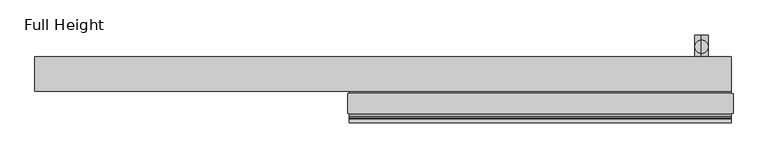
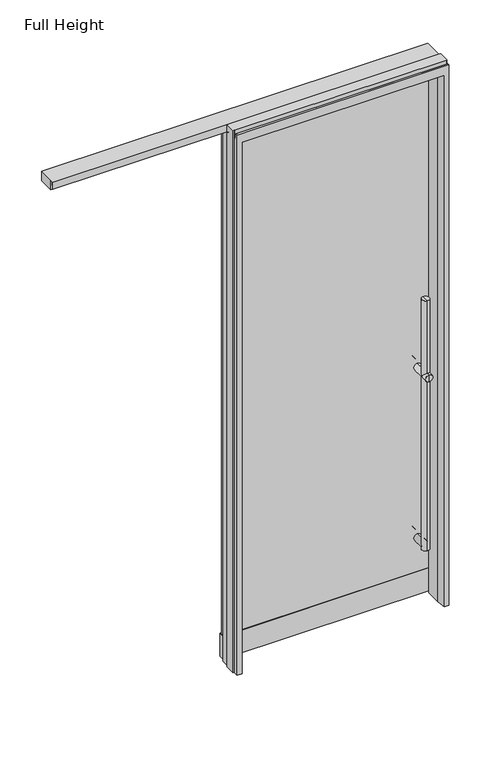
"""IFC4 building model written with IfcOpenShell, lengths in millimetres: plate geometry, Full Height."""

from ifc_helpers import new_model, si_unit, frame, origin, place, context, project, spatial, polyline, circle_curve, ellipse_curve, outline, extrude, source, transform, mapped, element, save
from ifc_brep_helpers import plane_surface, cylinder_surface, revolved_surface, advanced_brep


def full_height_f3c96637(model_context):
    return source(origin(), model_context, "Body", "SolidModel", [
        advanced_brep(
        [(424.4058217, 132.3389, 7.366), (424.4058217, 149.8389, 7.366), (424.4058217, 167.3389, 7.366), (424.4058217, 167.3389, 1132.8787), (441.9058217, 149.8389, 1150.3787), (424.4058217, 132.3389, 1132.8787), (424.4058217, 132.3389, 312.2035), (441.9058217, 149.8389, 294.7035), (424.4058217, 132.3389, 277.2035), (424.4058217, 132.3389, 1531.366), (424.4058217, 132.3389, 1167.8787), (424.4058217, 167.3389, 1167.8787), (424.4058217, 167.3389, 1531.366), (424.4058217, 149.8389, 1531.366), (424.4058217, 84.7514, 312.2035), (424.4058217, 84.7514, 294.7035), (424.4058217, 84.7514, 277.2035), (406.9058217, 149.8389, 294.7035), (406.9058217, 149.8389, 1150.3787), (424.4058217, 180.7514, 1132.8787), (424.4058217, 180.7514, 1150.3787), (424.4058217, 180.7514, 1167.8787), (424.4058217, 84.7514, 1132.8787), (424.4058217, 84.7514, 1167.8787), (424.4058217, 84.7514, 1150.3787)],
        [
            (0, 1),
            (1, 2),
            (2, 0, circle_curve(frame((424.4058217, 149.8389, 7.366), z_axis=(0.0, 0.0, -1.0), x_axis=(0.0, 1.0, 0.0)), 17.5)),
            (0, 2, circle_curve(frame((424.4058217, 149.8389, 7.366), z_axis=(0.0, 0.0, -1.0), x_axis=(0.0, 1.0, 0.0)), 17.5)),
            (2, 3),
            (3, 4, ellipse_curve(frame((424.4058217, 149.8389, 1150.3787), z_axis=(0.0, -0.7071067811865475, -0.7071067811865475), x_axis=(0.0, -0.7071067811865474, 0.7071067811865476)), 24.7487373, 17.5)),
            (4, 5, ellipse_curve(frame((424.4058217, 149.8389, 1150.3787), z_axis=(0.0, 0.7071067811865475, -0.7071067811865475), x_axis=(0.0, 0.7071067811865474, 0.7071067811865476)), 24.7487373, 17.5)),
            (5, 6),
            (6, 7, ellipse_curve(frame((424.4058217, 149.8389, 294.7035), z_axis=(0.0, 0.7071067811865485, 0.7071067811865466), x_axis=(0.0, -0.7071067811865466, 0.7071067811865485)), 24.7487373, 17.5)),
            (7, 8, ellipse_curve(frame((424.4058217, 149.8389, 294.7035), z_axis=(0.0, 0.7071067811865466, -0.7071067811865485), x_axis=(0.0, 0.7071067811865485, 0.7071067811865466)), 24.7487373, 17.5)),
            (8, 0),
            (9, 10),
            (10, 4, ellipse_curve(frame((424.4058217, 149.8389, 1150.3787), z_axis=(0.0, 0.7071067811865475, 0.7071067811865475), x_axis=(0.0, -0.7071067811865474, 0.7071067811865476)), 24.7487373, 17.5)),
            (4, 11, ellipse_curve(frame((424.4058217, 149.8389, 1150.3787), z_axis=(0.0, -0.7071067811865475, 0.7071067811865475), x_axis=(0.0, 0.7071067811865474, 0.7071067811865476)), 24.7487373, 17.5)),
            (11, 12),
            (12, 9, circle_curve(frame((424.4058217, 149.8389, 1531.366), z_axis=(0.0, 0.0, -1.0), x_axis=(0.0, 1.0, 0.0)), 17.5)),
            (12, 13),
            (13, 9),
            (14, 15),
            (15, 16),
            (16, 14, circle_curve(frame((424.4058217, 84.7514, 294.7035), z_axis=(0.0, -1.0, 0.0), x_axis=(0.0, 0.0, -1.0)), 17.5)),
            (16, 8),
            (6, 14),
            (8, 17, ellipse_curve(frame((424.4058217, 149.8389, 294.7035), z_axis=(0.0, 0.7071067811865466, -0.7071067811865485), x_axis=(0.0, 0.7071067811865485, 0.7071067811865466)), 24.7487373, 17.5)),
            (17, 6, ellipse_curve(frame((424.4058217, 149.8389, 294.7035), z_axis=(0.0, 0.7071067811865485, 0.7071067811865466), x_axis=(0.0, -0.7071067811865466, 0.7071067811865485)), 24.7487373, 17.5)),
            (5, 18, ellipse_curve(frame((424.4058217, 149.8389, 1150.3787), z_axis=(0.0, 0.7071067811865475, -0.7071067811865475), x_axis=(0.0, 0.7071067811865474, 0.7071067811865476)), 24.7487373, 17.5)),
            (18, 3, ellipse_curve(frame((424.4058217, 149.8389, 1150.3787), z_axis=(0.0, -0.7071067811865475, -0.7071067811865475), x_axis=(0.0, -0.7071067811865474, 0.7071067811865476)), 24.7487373, 17.5)),
            (11, 18, ellipse_curve(frame((424.4058217, 149.8389, 1150.3787), z_axis=(0.0, -0.7071067811865475, 0.7071067811865475), x_axis=(0.0, 0.7071067811865474, 0.7071067811865476)), 24.7487373, 17.5)),
            (18, 10, ellipse_curve(frame((424.4058217, 149.8389, 1150.3787), z_axis=(0.0, 0.7071067811865475, 0.7071067811865475), x_axis=(0.0, -0.7071067811865474, 0.7071067811865476)), 24.7487373, 17.5)),
            (9, 12, circle_curve(frame((424.4058217, 149.8389, 1531.366), z_axis=(0.0, 0.0, -1.0), x_axis=(0.0, 1.0, 0.0)), 17.5)),
            (14, 16, circle_curve(frame((424.4058217, 84.7514, 294.7035), z_axis=(0.0, -1.0, 0.0), x_axis=(0.0, 0.0, -1.0)), 17.5)),
            (19, 20),
            (20, 21),
            (21, 19, circle_curve(frame((424.4058217, 180.7514, 1150.3787), z_axis=(0.0, 1.0, 0.0), x_axis=(0.0, 0.0, 1.0)), 17.5)),
            (19, 21, circle_curve(frame((424.4058217, 180.7514, 1150.3787), z_axis=(0.0, 1.0, 0.0), x_axis=(0.0, 0.0, 1.0)), 17.5)),
            (21, 11),
            (3, 19),
            (22, 5),
            (10, 23),
            (23, 22, circle_curve(frame((424.4058217, 84.7514, 1150.3787), z_axis=(0.0, 1.0, 0.0), x_axis=(0.0, 0.0, 1.0)), 17.5)),
            (22, 23, circle_curve(frame((424.4058217, 84.7514, 1150.3787), z_axis=(0.0, 1.0, 0.0), x_axis=(0.0, 0.0, 1.0)), 17.5)),
            (23, 24),
            (24, 22),
        ],
        [
            plane_surface(frame((424.4058217, 149.8389, 7.366), z_axis=(0.0, 0.0, -1.0), x_axis=(0.0, 1.0, 0.0))),
            cylinder_surface(frame((424.4058217, 149.8389, 0.0), z_axis=(0.0, 0.0, 1.0), x_axis=(0.0, 1.0, 0.0)), 17.5),
            plane_surface(frame((424.4058217, 149.8389, 1531.366), z_axis=(0.0, 0.0, 1.0), x_axis=(0.0, 1.0, 0.0))),
            plane_surface(frame((424.4058217, 84.7514, 294.7035), z_axis=(0.0, -1.0, 0.0), x_axis=(0.0, 0.0, -1.0))),
            cylinder_surface(frame((424.4058217, 84.7514, 294.7035), z_axis=(0.0, 1.0, 0.0), x_axis=(0.0, 0.0, -1.0)), 17.5),
            plane_surface(frame((424.4058217, 180.7514, 1150.3787), z_axis=(0.0, 1.0, 0.0), x_axis=(0.0, 0.0, 1.0))),
            cylinder_surface(frame((424.4058217, 84.7514, 1150.3787), z_axis=(0.0, -1.0, 0.0), x_axis=(0.0, 0.0, 1.0)), 17.5),
            plane_surface(frame((424.4058217, 84.7514, 1150.3787), z_axis=(0.0, -1.0, 0.0), x_axis=(0.0, 0.0, 1.0))),
        ],
        [
            (0, [[1, 2, 3]]),
            (0, [[-1, 4, -2]]),
            (1, [[5, 6, 7, 8, 9, 10, 11, -3]]),
            (1, [[12, 13, 14, 15, 16]]),
            (2, [[17, 18, -16]]),
            (3, [[19, 20, 21]]),
            (4, [[22, -10, -9, 23, -21]]),
            (1, [[-11, 24, 25, -8, 26, 27, -5, -4]]),
            (1, [[-15, 28, 29, -12, 30]]),
            (2, [[-18, -17, -30]]),
            (3, [[-19, 31, -20]]),
            (4, [[-23, -25, -24, -22, -31]]),
            (5, [[32, 33, 34]]),
            (5, [[-32, 35, -33]]),
            (6, [[36, -14, -6, 37, -34]]),
            (6, [[38, -7, -13, 39, 40]]),
            (6, [[-37, -27, -28, -36, -35]]),
            (6, [[-39, -29, -26, -38, 41]]),
            (7, [[42, 43, -40]]),
            (7, [[-43, -42, -41]]),
        ],
    ),
        advanced_brep(
        [(424.4058217, 72.0514, 277.2035), (424.4058217, 24.4639, 277.2035), (406.9058217, 6.9639, 294.7035), (424.4058217, 24.4639, 312.2035), (424.4058217, 72.0514, 312.2035), (424.4058217, 72.0514, 294.7035), (441.9058217, 6.9639, 294.7035), (424.4058217, 24.4639, 1132.8787), (441.9058217, 6.9639, 1150.3787), (424.4058217, -10.5361, 1132.8787), (424.4058217, -10.5361, 277.2035), (424.4058217, -10.5361, 1531.366), (424.4058217, -10.5361, 1167.8787), (424.4058217, 24.4639, 1167.8787), (424.4058217, 24.4639, 1531.366), (406.9058217, 6.9639, 1150.3787), (424.4058217, 6.9639, 277.2035), (424.4058217, 6.9639, 1531.366), (424.4058217, -23.9486, 1132.8787), (424.4058217, -23.9486, 1167.8787), (424.4058217, 72.0514, 1167.8787), (424.4058217, 72.0514, 1132.8787), (424.4058217, -23.9486, 1150.3787), (424.4058217, 72.0514, 1150.3787)],
        [
            (0, 1),
            (1, 2, ellipse_curve(frame((424.4058217, 6.9639, 294.7035), z_axis=(0.0, 0.7071067811865485, 0.7071067811865466), x_axis=(0.0, 0.7071067811865466, -0.7071067811865485)), 24.7487373, 17.5)),
            (2, 3, ellipse_curve(frame((424.4058217, 6.9639, 294.7035), z_axis=(0.0, 0.7071067811865466, -0.7071067811865485), x_axis=(0.0, 0.7071067811865485, 0.7071067811865466)), 24.7487373, 17.5)),
            (3, 4),
            (4, 0, circle_curve(frame((424.4058217, 72.0514, 294.7035), z_axis=(0.0, -1.0, 0.0), x_axis=(0.0, 0.0, -1.0)), 17.5)),
            (0, 5),
            (5, 4),
            (4, 0, circle_curve(frame((424.4058217, 72.0514, 294.7035), z_axis=(0.0, 1.0, 0.0), x_axis=(0.0, 0.0, -1.0)), 17.5)),
            (3, 6, ellipse_curve(frame((424.4058217, 6.9639, 294.7035), z_axis=(0.0, 0.7071067811865466, -0.7071067811865485), x_axis=(0.0, 0.7071067811865485, 0.7071067811865466)), 24.7487373, 17.5)),
            (6, 1, ellipse_curve(frame((424.4058217, 6.9639, 294.7035), z_axis=(0.0, 0.7071067811865485, 0.7071067811865466), x_axis=(0.0, 0.7071067811865466, -0.7071067811865485)), 24.7487373, 17.5)),
            (3, 7),
            (7, 8, ellipse_curve(frame((424.4058217, 6.9639, 1150.3787), z_axis=(0.0, -0.7071067811865475, -0.7071067811865475), x_axis=(0.0, 0.7071067811865474, -0.7071067811865476)), 24.7487373, 17.5)),
            (8, 9, ellipse_curve(frame((424.4058217, 6.9639, 1150.3787), z_axis=(0.0, 0.7071067811865475, -0.7071067811865475), x_axis=(0.0, -0.7071067811865474, -0.7071067811865476)), 24.7487373, 17.5)),
            (9, 10),
            (10, 1, circle_curve(frame((424.4058217, 6.9639, 277.2035), z_axis=(0.0, 0.0, 1.0), x_axis=(0.0, -1.0, 0.0)), 17.5)),
            (11, 12),
            (12, 8, ellipse_curve(frame((424.4058217, 6.9639, 1150.3787), z_axis=(0.0, 0.7071067811865475, 0.7071067811865475), x_axis=(0.0, 0.7071067811865474, -0.7071067811865476)), 24.7487373, 17.5)),
            (8, 13, ellipse_curve(frame((424.4058217, 6.9639, 1150.3787), z_axis=(0.0, -0.7071067811865475, 0.7071067811865475), x_axis=(0.0, -0.7071067811865474, -0.7071067811865476)), 24.7487373, 17.5)),
            (13, 14),
            (14, 11, circle_curve(frame((424.4058217, 6.9639, 1531.366), z_axis=(0.0, 0.0, -1.0), x_axis=(0.0, -1.0, 0.0)), 17.5)),
            (9, 15, ellipse_curve(frame((424.4058217, 6.9639, 1150.3787), z_axis=(0.0, 0.7071067811865475, -0.7071067811865475), x_axis=(0.0, -0.7071067811865474, -0.7071067811865476)), 24.7487373, 17.5)),
            (15, 7, ellipse_curve(frame((424.4058217, 6.9639, 1150.3787), z_axis=(0.0, -0.7071067811865475, -0.7071067811865475), x_axis=(0.0, 0.7071067811865474, -0.7071067811865476)), 24.7487373, 17.5)),
            (1, 10, circle_curve(frame((424.4058217, 6.9639, 277.2035), z_axis=(0.0, 0.0, 1.0), x_axis=(0.0, -1.0, 0.0)), 17.5)),
            (13, 15, ellipse_curve(frame((424.4058217, 6.9639, 1150.3787), z_axis=(0.0, -0.7071067811865475, 0.7071067811865475), x_axis=(0.0, -0.7071067811865474, -0.7071067811865476)), 24.7487373, 17.5)),
            (15, 12, ellipse_curve(frame((424.4058217, 6.9639, 1150.3787), z_axis=(0.0, 0.7071067811865475, 0.7071067811865475), x_axis=(0.0, 0.7071067811865474, -0.7071067811865476)), 24.7487373, 17.5)),
            (11, 14, circle_curve(frame((424.4058217, 6.9639, 1531.366), z_axis=(0.0, 0.0, -1.0), x_axis=(0.0, -1.0, 0.0)), 17.5)),
            (10, 16),
            (16, 1),
            (14, 17),
            (17, 11),
            (18, 9),
            (12, 19),
            (19, 18, circle_curve(frame((424.4058217, -23.9486, 1150.3787), z_axis=(0.0, 1.0, 0.0), x_axis=(0.0, 0.0, 1.0)), 17.5)),
            (20, 13),
            (7, 21),
            (21, 20, circle_curve(frame((424.4058217, 72.0514, 1150.3787), z_axis=(0.0, -1.0, 0.0), x_axis=(0.0, 0.0, 1.0)), 17.5)),
            (18, 19, circle_curve(frame((424.4058217, -23.9486, 1150.3787), z_axis=(0.0, 1.0, 0.0), x_axis=(0.0, 0.0, 1.0)), 17.5)),
            (20, 21, circle_curve(frame((424.4058217, 72.0514, 1150.3787), z_axis=(0.0, -1.0, 0.0), x_axis=(0.0, 0.0, 1.0)), 17.5)),
            (19, 22),
            (22, 18),
            (21, 23),
            (23, 20),
        ],
        [
            cylinder_surface(frame((424.4058217, 84.7514, 294.7035), z_axis=(0.0, 1.0, 0.0), x_axis=(0.0, 0.0, -1.0)), 17.5),
            plane_surface(frame((424.4058217, 72.0514, 294.7035), z_axis=(0.0, 1.0, 0.0), x_axis=(0.0, 0.0, -1.0))),
            cylinder_surface(frame((424.4058217, 6.9639, 0.0), z_axis=(0.0, 0.0, -1.0), x_axis=(0.0, -1.0, 0.0)), 17.5),
            plane_surface(frame((424.4058217, 6.9639, 277.2035), z_axis=(0.0, 0.0, -1.0), x_axis=(0.0, -1.0, 0.0))),
            plane_surface(frame((424.4058217, 6.9639, 1531.366), z_axis=(0.0, 0.0, 1.0), x_axis=(0.0, -1.0, 0.0))),
            cylinder_surface(frame((424.4058217, 84.7514, 1150.3787), z_axis=(0.0, -1.0, 0.0), x_axis=(0.0, 0.0, 1.0)), 17.5),
            plane_surface(frame((424.4058217, -23.9486, 1150.3787), z_axis=(0.0, -1.0, 0.0), x_axis=(0.0, 0.0, 1.0))),
            plane_surface(frame((424.4058217, 72.0514, 1150.3787), z_axis=(0.0, 1.0, 0.0), x_axis=(0.0, 0.0, 1.0))),
        ],
        [
            (0, [[1, 2, 3, 4, 5]]),
            (1, [[6, 7, 8]]),
            (0, [[-4, 9, 10, -1, -8]]),
            (1, [[-7, -6, -5]]),
            (2, [[-10, -9, 11, 12, 13, 14, 15]]),
            (2, [[16, 17, 18, 19, 20]]),
            (2, [[-14, 21, 22, -11, -3, -2, 23]]),
            (2, [[-19, 24, 25, -16, 26]]),
            (3, [[27, 28, -15]]),
            (3, [[-28, -27, -23]]),
            (4, [[29, 30, -20]]),
            (4, [[-30, -29, -26]]),
            (5, [[31, -13, -17, 32, 33]]),
            (5, [[34, -18, -12, 35, 36]]),
            (5, [[-32, -25, -21, -31, 37]]),
            (5, [[-35, -22, -24, -34, 38]]),
            (6, [[39, 40, -33]]),
            (6, [[-40, -39, -37]]),
            (7, [[41, 42, -36]]),
            (7, [[-42, -41, -38]]),
        ],
    ),
        extrude(outline(polyline([(498.5738217, 93.6414), (500.6058217, 93.6414), (500.6058217, 70.0194), (498.5738217, 70.0194), (498.5738217, 93.6414)])), frame((0.0, 0.0, 7.9375), z_axis=(0.0, 0.0, 1.0), x_axis=(1.0, 0.0, 0.0)), (0.0, 0.0, 1.0), 115.062),
        extrude(outline(polyline([(-498.5738217, 93.6414), (-498.5738217, 70.0194), (-500.6058217, 70.0194), (-500.6058217, 93.6414), (-498.5738217, 93.6414)])), frame((0.0, 0.0, 7.9375), z_axis=(0.0, 0.0, 1.0), x_axis=(1.0, 0.0, 0.0)), (0.0, 0.0, 1.0), 115.062),
        extrude(outline(polyline([(498.5738217, 70.0194), (-498.5738217, 70.0194), (-498.5738217, 93.6414), (498.5738217, 93.6414), (498.5738217, 70.0194)])), frame((0.0, 0.0, 7.9375), z_axis=(0.0, 0.0, 1.0), x_axis=(1.0, 0.0, 0.0)), (0.0, 0.0, 1.0), 115.062),
        extrude(outline(polyline([(-498.5738217, 72.0514), (-498.5738217, 84.7514), (498.5738217, 84.7514), (498.5738217, 72.0514), (-498.5738217, 72.0514)])), frame((0.0, 0.0, 122.9995), z_axis=(0.0, 0.0, 1.0), x_axis=(1.0, 0.0, 0.0)), (0.0, 0.0, 1.0), 2543.6195),
        advanced_brep(
        [(-503.1458217, -50.0126, 0.0), (-503.1458217, -25.146, 0.0), (-507.7178217, -25.146, 0.0), (-507.7178217, 25.146, 0.0), (-503.1458217, 25.146, 0.0), (-503.1458217, 67.9874, 0.0), (-475.0788217, 67.9874, 0.0), (-475.0788217, -6.0880519, 0.0), (-481.0512481, -50.0126, 0.0), (503.1458217, 67.9874, 0.0), (503.1458217, 25.146, 0.0), (507.7178217, 25.146, 0.0), (507.7178217, -25.146, 0.0), (503.1458217, -25.146, 0.0), (503.1458217, -50.0126, 0.0), (481.0512481, -50.0126, 0.0), (475.0788217, -6.0880519, 0.0), (475.0788217, 67.9874, 0.0), (-503.1458217, -26.67, 2720.34), (-503.1458217, -25.146, 2720.34), (-503.1458217, -50.0126, 2711.196), (-503.1458217, -40.0983721, 2711.196), (-503.1458217, -39.3479486, 2710.5663199), (-503.1458217, -34.2321175, 2681.5530004), (-503.1458217, -26.67, 2682.2146), (-503.1458217, 26.67, 2682.2146), (-503.1458217, 32.258, 2678.8449092), (-503.1458217, 32.258, 2678.4046), (-503.1458217, 33.6769696, 2678.4046), (-503.1458217, 34.2321175, 2681.5530004), (-503.1458217, 39.3479486, 2710.5663199), (-503.1458217, 40.0983721, 2711.196), (-503.1458217, 50.0126, 2711.196), (-503.1458217, 50.0126, 2678.4046), (-503.1458217, 50.0126, 2666.619), (-503.1458217, 67.9874, 2666.619), (-503.1458217, 25.146, 2720.34), (-503.1458217, 26.67, 2720.34), (-475.0788217, 67.9874, 2666.619), (-475.0788217, 50.0, 2666.619), (-475.0788217, 0.0, 2659.8204936), (-475.0788217, -6.0880519, 2660.6482868), (-481.0512481, -50.0126, 2666.6207132), (481.0512481, -50.0126, 2666.6207132), (503.1458217, -50.0126, 2711.196), (475.0788217, -6.0880519, 2660.6482868), (475.0788217, 0.0, 2659.8204936), (475.0788217, 50.0126, 2666.6207132), (475.0788217, 67.9874, 2666.619), (503.1458217, 67.9874, 2666.619), (503.1458217, 26.67, 2720.34), (503.1458217, 25.146, 2720.34), (503.1458217, 122.6566, 2666.619), (503.1458217, 122.6566, 2715.768), (503.1458217, 32.258, 2715.768), (503.1458217, 32.258, 2678.8449092), (503.1458217, 26.67, 2682.2146), (503.1458217, -25.146, 2720.34), (503.1458217, -26.67, 2720.34), (503.1458217, -26.67, 2682.2146), (503.1458217, -34.2321175, 2681.5530004), (503.1458217, -39.3479486, 2710.5663199), (503.1458217, -40.0983721, 2711.196), (507.7178217, -25.146, 2720.34), (507.7178217, 25.146, 2720.34), (-507.7178217, 25.146, 2720.34), (-507.7178217, -25.146, 2720.34), (-1331.1294651, 50.0126, 2711.196), (-1331.1294651, 40.0983721, 2711.196), (-1331.1294651, 39.3479486, 2710.5663199), (-1331.1294651, 33.6769696, 2678.4046), (-1331.1294651, 32.258, 2678.4046), (-1331.1294651, 32.258, 2715.768), (-1331.1294651, 122.6566, 2715.768), (-1331.1294651, 122.6566, 2666.619), (-1331.1294651, 50.0126, 2666.619)],
        [
            (0, 1),
            (1, 2),
            (2, 3),
            (3, 4),
            (4, 5),
            (5, 6),
            (6, 7),
            (7, 8),
            (8, 0),
            (9, 10),
            (10, 11),
            (11, 12),
            (12, 13),
            (13, 14),
            (14, 15),
            (15, 16),
            (16, 17),
            (17, 9),
            (18, 19),
            (19, 1),
            (0, 20),
            (20, 21),
            (21, 22, circle_curve(frame((-503.1458217, -40.0983721, 2710.434), z_axis=(-1.0, 0.0, 0.0), x_axis=(0.0, -1.0, 0.0)), 0.762)),
            (22, 23),
            (23, 24, circle_curve(frame((-503.1458217, -30.48, 2682.2146), z_axis=(1.0, 0.0, 0.0), x_axis=(0.0, -1.0, 0.0)), 3.81)),
            (24, 18),
            (25, 26, circle_curve(frame((-503.1458217, 30.48, 2682.2146), z_axis=(1.0, 0.0, 0.0), x_axis=(0.0, -1.0, 0.0)), 3.81)),
            (26, 27),
            (27, 28),
            (28, 29),
            (29, 30),
            (30, 31, circle_curve(frame((-503.1458217, 40.0983721, 2710.434), z_axis=(-1.0, 0.0, 0.0), x_axis=(0.0, -1.0, 0.0)), 0.762)),
            (31, 32),
            (32, 33),
            (33, 34),
            (34, 35),
            (35, 5),
            (4, 36),
            (36, 37),
            (37, 25),
            (35, 38),
            (38, 6),
            (38, 39),
            (39, 40),
            (40, 41),
            (41, 7),
            (41, 42),
            (42, 8),
            (42, 43),
            (43, 15),
            (14, 44),
            (44, 20),
            (43, 45),
            (45, 16),
            (45, 46),
            (46, 47),
            (47, 48),
            (48, 17),
            (48, 49),
            (49, 9),
            (50, 51),
            (51, 10),
            (49, 52),
            (52, 53),
            (53, 54),
            (54, 55),
            (55, 56, circle_curve(frame((503.1458217, 30.48, 2682.2146), z_axis=(-1.0, 0.0, 0.0), x_axis=(0.0, -1.0, 0.0)), 3.81)),
            (56, 50),
            (13, 57),
            (57, 58),
            (58, 59),
            (59, 60, circle_curve(frame((503.1458217, -30.48, 2682.2146), z_axis=(-1.0, 0.0, 0.0), x_axis=(0.0, -1.0, 0.0)), 3.81)),
            (60, 61),
            (61, 62, circle_curve(frame((503.1458217, -40.0983721, 2710.434), z_axis=(1.0, 0.0, 0.0), x_axis=(0.0, -1.0, 0.0)), 0.762)),
            (62, 44),
            (57, 63),
            (63, 64),
            (64, 51),
            (50, 37),
            (36, 65),
            (65, 66),
            (66, 19),
            (18, 58),
            (56, 25),
            (55, 26),
            (40, 46),
            (62, 21),
            (61, 22),
            (60, 23),
            (59, 24),
            (39, 47),
            (3, 65),
            (66, 2),
            (63, 12),
            (11, 64),
            (67, 68),
            (68, 69, circle_curve(frame((-1331.1294651, 40.0983721, 2710.434), z_axis=(1.0, 0.0, 0.0), x_axis=(0.0, -1.0, 0.0)), 0.762)),
            (69, 70),
            (70, 71),
            (71, 72),
            (72, 73),
            (73, 74),
            (74, 75),
            (75, 67),
            (53, 73),
            (72, 54),
            (52, 74),
            (34, 75),
            (32, 67),
            (31, 68),
            (71, 27),
            (69, 30),
            (28, 70),
        ],
        [
            plane_surface(frame((-503.1458217, 67.9874, 0.0), z_axis=(0.0, 0.0, -1.0), x_axis=(0.0, -1.0, 0.0))),
            plane_surface(frame((-503.1458217, -50.0126, 2678.4046), z_axis=(-1.0, 0.0, 0.0), x_axis=(0.0, 0.0, -1.0))),
            plane_surface(frame((-503.1458217, 67.9874, 2678.4046), z_axis=(0.0, 1.0, 0.0), x_axis=(0.0, 0.0, -1.0))),
            plane_surface(frame((-475.0788217, 67.9874, 2678.4046), z_axis=(1.0, 0.0, 0.0), x_axis=(0.0, 0.0, -1.0))),
            plane_surface(frame((-475.0788217, -6.0880519, 2678.4046), z_axis=(0.9908822943533593, -0.13473039277394933, 0.0), x_axis=(0.0, 0.0, -1.0))),
            plane_surface(frame((-481.0512481, -50.0126, 2678.4046), z_axis=(0.0, -1.0, 0.0), x_axis=(0.0, 0.0, -1.0))),
            plane_surface(frame((481.0512481, -50.0126, 2678.4046), z_axis=(-0.9908822943533605, -0.13473039277394047, 0.0), x_axis=(0.0, 0.0, -1.0))),
            plane_surface(frame((475.0788217, -6.0880519, 2678.4046), z_axis=(-1.0, 0.0, 0.0), x_axis=(0.0, 0.0, -1.0))),
            plane_surface(frame((475.0788217, 67.9874, 2678.4046), z_axis=(0.0, 1.0, 0.0), x_axis=(0.0, 0.0, -1.0))),
            plane_surface(frame((503.1458217, 67.9874, 2678.4046), z_axis=(1.0, 0.0, 0.0), x_axis=(0.0, 0.0, -1.0))),
            plane_surface(frame((503.1458217, -26.67, 2720.34), z_axis=(0.0, 0.0, 1.0), x_axis=(-1.0, 0.0, 0.0))),
            plane_surface(frame((503.1458217, 26.67, 2720.34), z_axis=(0.0, 1.0, 0.0), x_axis=(-1.0, 0.0, 0.0))),
            revolved_surface(polyline([(-503.1458217, 26.67, 2682.2146), (503.1458217, 26.67, 2682.2146)]), (-503.1458217, 30.48, 2682.2146), (-1.0, 0.0, 0.0)),
            plane_surface(frame((503.1458217, 0.0, 2659.8204936), z_axis=(0.0, -0.1347303927742044, -0.9908822943533246), x_axis=(-1.0, 0.0, 0.0))),
            plane_surface(frame((503.1458217, -50.0126, 2711.196), z_axis=(0.0, 0.0, 1.0), x_axis=(-1.0, 0.0, 0.0))),
            cylinder_surface(frame((-503.1458217, -40.0983721, 2710.434), z_axis=(1.0, 0.0, 0.0), x_axis=(0.0, -1.0, 0.0)), 0.762),
            plane_surface(frame((503.1458217, -39.3479486, 2710.5663199), z_axis=(0.0, 0.9848077530137214, 0.17364817765834814), x_axis=(-1.0, 0.0, 0.0))),
            revolved_surface(polyline([(-503.1458217, -34.29, 2682.2146), (503.1458217, -34.29, 2682.2146)]), (-503.1458217, -30.48, 2682.2146), (-1.0, 0.0, 0.0)),
            plane_surface(frame((503.1458217, -26.67, 2682.2146), z_axis=(0.0, -1.0, 0.0), x_axis=(-1.0, 0.0, 0.0))),
            plane_surface(frame((503.1458217, 50.0126, 2666.6207132), z_axis=(0.0, 0.134730392773624, -0.9908822943534036), x_axis=(-1.0, 0.0, 0.0))),
            plane_surface(frame((-507.7178217, 25.146, 2720.34), z_axis=(0.0, 1.0, 0.0), x_axis=(0.0, 0.0, -1.0))),
            plane_surface(frame((-503.1458217, -25.146, 2720.34), z_axis=(0.0, -1.0, 0.0), x_axis=(0.0, 0.0, -1.0))),
            plane_surface(frame((-507.7178217, -25.146, 2720.34), z_axis=(-1.0, 0.0, 0.0), x_axis=(0.0, 0.0, -1.0))),
            plane_surface(frame((507.7178217, 25.146, 2720.34), z_axis=(1.0, 0.0, 0.0), x_axis=(0.0, 0.0, -1.0))),
            plane_surface(frame((507.7178217, -25.146, 2720.34), z_axis=(0.0, -1.0, 0.0), x_axis=(0.0, 0.0, -1.0))),
            plane_surface(frame((503.1458217, 25.146, 2720.34), z_axis=(0.0, 1.0, 0.0), x_axis=(0.0, 0.0, -1.0))),
            plane_surface(frame((-1331.1294651, 40.0983721, 2711.196), z_axis=(-1.0, 0.0, 0.0), x_axis=(0.0, 1.0, 0.0))),
            plane_surface(frame((503.1458217, 32.258, 2715.768), z_axis=(0.0, 0.0, 1.0), x_axis=(-1.0, 0.0, 0.0))),
            plane_surface(frame((503.1458217, 122.6566, 2715.768), z_axis=(0.0, 1.0, 0.0), x_axis=(-1.0, 0.0, 0.0))),
            plane_surface(frame((503.1458217, 122.6566, 2666.619), z_axis=(0.0, 0.0, -1.0), x_axis=(-1.0, 0.0, 0.0))),
            plane_surface(frame((503.1458217, 50.0126, 2666.619), z_axis=(0.0, -1.0, 0.0), x_axis=(-1.0, 0.0, 0.0))),
            plane_surface(frame((503.1458217, 50.0126, 2711.196), z_axis=(0.0, 0.0, -1.0), x_axis=(-1.0, 0.0, 0.0))),
            plane_surface(frame((503.1458217, 32.258, 2678.4046), z_axis=(0.0, -1.0, 0.0), x_axis=(-1.0, 0.0, 0.0))),
            plane_surface(frame((503.1458217, 39.3479486, 2710.5663199), z_axis=(0.0, 0.984807753012186, -0.17364817766705556), x_axis=(-1.0, 0.0, 0.0))),
            plane_surface(frame((503.1458217, 33.6769696, 2678.4046), z_axis=(0.0, 0.0, -1.0), x_axis=(-1.0, 0.0, 0.0))),
            revolved_surface(polyline([(-1331.1294651, 39.3363721, 2710.434), (-503.14582169999994, 39.3363721, 2710.434)]), (-1331.1294651, 40.0983721, 2710.434), (-1.0, 0.0, 0.0)),
        ],
        [
            (0, [[1, 2, 3, 4, 5, 6, 7, 8, 9]]),
            (0, [[10, 11, 12, 13, 14, 15, 16, 17, 18]]),
            (1, [[19, 20, -1, 21, 22, 23, 24, 25, 26]]),
            (1, [[27, 28, 29, 30, 31, 32, 33, 34, 35, 36, 37, -5, 38, 39, 40]]),
            (2, [[-37, 41, 42, -6]]),
            (3, [[-42, 43, 44, 45, 46, -7]]),
            (4, [[-46, 47, 48, -8]]),
            (5, [[-48, 49, 50, -15, 51, 52, -21, -9]]),
            (6, [[-50, 53, 54, -16]]),
            (7, [[-54, 55, 56, 57, 58, -17]]),
            (8, [[-58, 59, 60, -18]]),
            (9, [[61, 62, -10, -60, 63, 64, 65, 66, 67, 68]]),
            (9, [[-51, -14, 69, 70, 71, 72, 73, 74, 75]]),
            (10, [[-70, 76, 77, 78, -61, 79, -39, 80, 81, 82, -19, 83]]),
            (11, [[84, -40, -79, -68]]),
            (12, [[-67, 85, -27, -84]]),
            (13, [[-47, -45, 86, -55, -53, -49]]),
            (14, [[87, -22, -52, -75]]),
            (15, [[88, -23, -87, -74]]),
            (16, [[89, -24, -88, -73]]),
            (17, [[-72, 90, -25, -89]]),
            (18, [[-83, -26, -90, -71]]),
            (19, [[-44, 91, -56, -86]]),
            (20, [[-38, -4, 92, -80]]),
            (21, [[93, -2, -20, -82]]),
            (22, [[-92, -3, -93, -81]]),
            (23, [[94, -12, 95, -77]]),
            (24, [[-69, -13, -94, -76]]),
            (25, [[-95, -11, -62, -78]]),
            (26, [[96, 97, 98, 99, 100, 101, 102, 103, 104]]),
            (27, [[105, -101, 106, -65]]),
            (28, [[107, -102, -105, -64]]),
            (29, [[-107, -63, -59, -57, -91, -43, -41, -36, 108, -103]]),
            (30, [[-108, -35, -34, 109, -104]]),
            (31, [[-109, -33, 110, -96]]),
            (32, [[111, -28, -85, -66, -106, -100]]),
            (33, [[112, -31, -30, 113, -98]]),
            (34, [[-113, -29, -111, -99]]),
            (35, [[-110, -32, -112, -97]]),
        ],
    ),
    ])


if __name__ == "__main__":
    model = new_model("IFC4")
    model_context = context("Model", 3, world=origin())
    ifc_project = project(units=[si_unit("LENGTHUNIT", "METRE", prefix="MILLI")], contexts=[model_context])
    site = spatial("IfcSite", under=ifc_project)
    building = spatial("IfcBuilding", under=site)
    placement = place(None, origin())
    full_height_shape = full_height_f3c96637(model_context)
    element("IfcPlate", 1, ObjectType="Full Height", at=placement, inside=building, context=model_context, shape_type="MappedRepresentation", body=[
        mapped(full_height_shape, transform((0.0, 0.0, 0.0), x_axis=(1.0, 0.0, 0.0), y_axis=(0.0, 1.0, 0.0), z_axis=(0.0, 0.0, 1.0))),
    ])
    save(model, "model.ifc")
